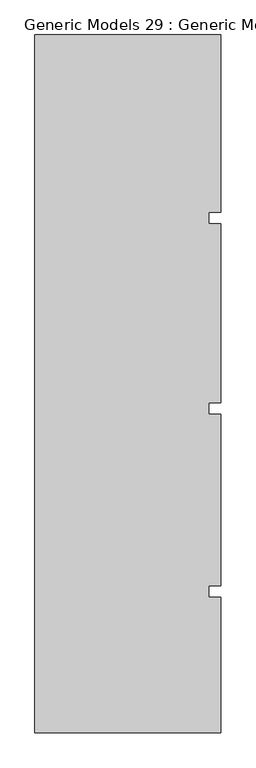
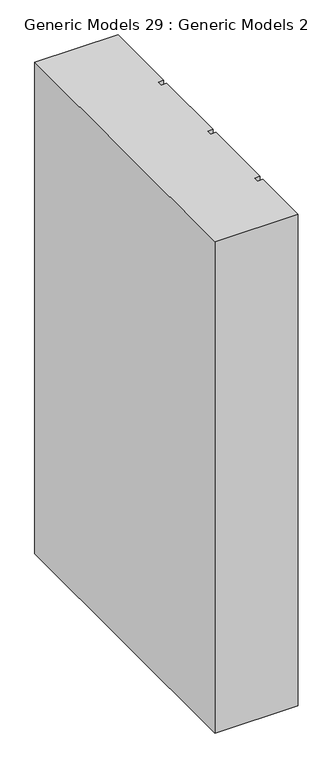
"""IFC4 building model written with IfcOpenShell, lengths in millimetres: proxy geometry, Generic Models 29 : Generic Models 2."""

from ifc_helpers import new_model, si_unit, frame, origin, place, context, project, spatial, polyline, outline, extrude, source, transform, mapped, element, save


def generic_models_29_generic_models_2_45525449(model_context):
    return source(origin(), model_context, "Body", "SweptSolid", [
        extrude(outline(polyline([(6158.9891931, -239.4418036), (6646.0314083, -239.4418036), (6646.0314083, -703.851216), (6614.3889077, -703.851216), (6614.3889077, -733.8846489), (6646.0314083, -733.8846489), (6646.0314083, -1203.851216), (6614.3889077, -1203.851216), (6614.3889077, -1233.8846489), (6646.0314083, -1233.8846489), (6646.0314083, -1683.851216), (6614.3889077, -1683.851216), (6614.3889077, -1713.8846489), (6646.0314083, -1713.8846489), (6646.0314083, -2068.9906388), (6158.9891931, -2068.9906388), (6158.9891931, -239.4418036)])), frame((0.0, 0.0, 12000.0), z_axis=(0.0, 0.0, 1.0), x_axis=(1.0, 0.0, 0.0)), (0.0, 0.0, 1.0), 3044.7067261),
    ])


if __name__ == "__main__":
    model = new_model("IFC4")
    model_context = context("Model", 3, world=origin())
    ifc_project = project(units=[si_unit("LENGTHUNIT", "METRE", prefix="MILLI")], contexts=[model_context])
    site = spatial("IfcSite", under=ifc_project)
    building = spatial("IfcBuilding", under=site)
    placement = place(None, origin())
    generic_models_29_generic_models_2_shape = generic_models_29_generic_models_2_45525449(model_context)
    element("IfcBuildingElementProxy", 1, Name="Generic Models 29 : Generic Models 2", ObjectType="Generic Models 29 : Generic Models 2", at=placement, inside=building, context=model_context, shape_type="MappedRepresentation", body=[
        mapped(generic_models_29_generic_models_2_shape, transform((0.0, 0.0, 0.0), x_axis=(1.0, 0.0, 0.0), y_axis=(0.0, 1.0, 0.0), z_axis=(0.0, 0.0, 1.0))),
    ])
    save(model, "model.ifc")
